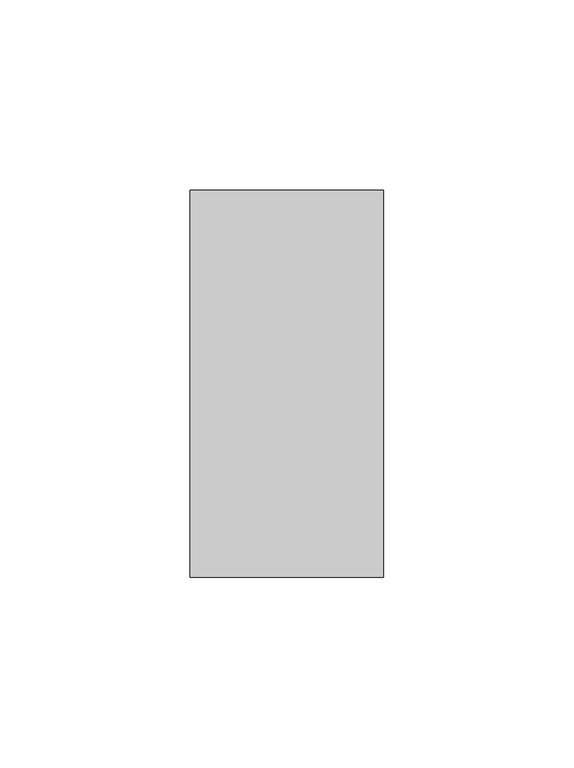
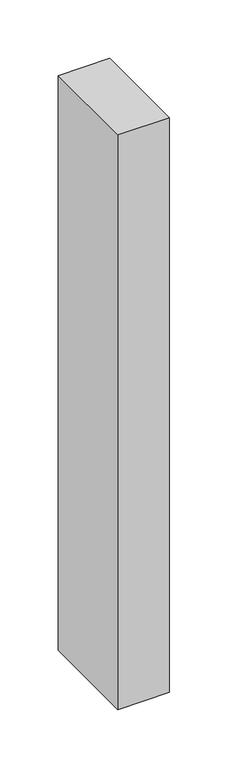
"""IFC4 building model written with IfcOpenShell, lengths in millimetres: proxy geometry."""

from ifc_helpers import new_model, si_unit, origin, origin_with_axes, place, context, project, spatial, polyline, outline, extrude, source, transform, mapped, element, save


def generic_models_2c0bd635(model_context):
    return source(origin(), model_context, "Body", "SweptSolid", [
        extrude(outline(polyline([(50.8, 0.0), (0.0, 0.0), (0.0, 101.6), (50.8, 101.6), (50.8, 0.0)])), origin_with_axes(), (0.0, 0.0, 1.0), 600.0),
    ])


if __name__ == "__main__":
    model = new_model("IFC4")
    model_context = context("Model", 3, world=origin())
    ifc_project = project(units=[si_unit("LENGTHUNIT", "METRE", prefix="MILLI")], contexts=[model_context])
    site = spatial("IfcSite", under=ifc_project)
    building = spatial("IfcBuilding", under=site)
    placement = place(None, origin())
    generic_models_shape = generic_models_2c0bd635(model_context)
    element("IfcBuildingElementProxy", 1, Name="Generic Models", at=placement, inside=building, context=model_context, shape_type="MappedRepresentation", body=[
        mapped(generic_models_shape, transform((0.0, 0.0, 0.0), x_axis=(1.0, 0.0, 0.0), y_axis=(0.0, 1.0, 0.0), z_axis=(0.0, 0.0, 1.0))),
    ])
    save(model, "model.ifc")
